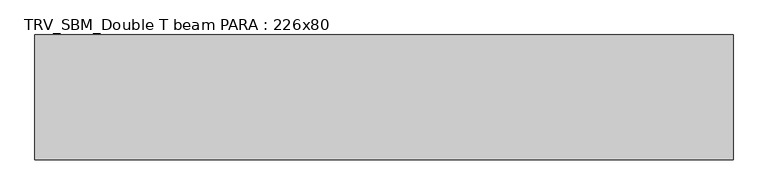
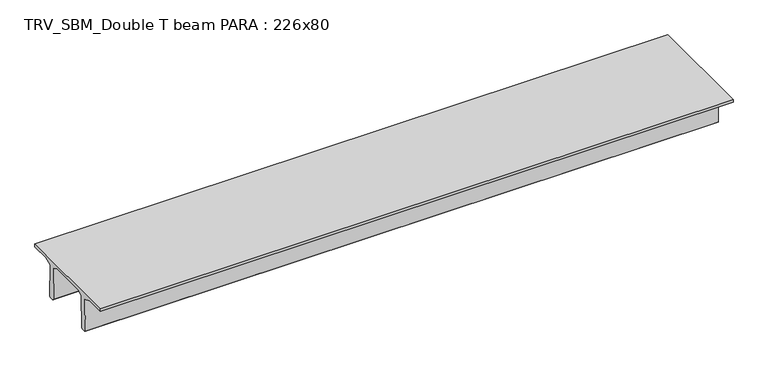
"""IFC4 building model written with IfcOpenShell, lengths in millimetres: beam geometry, TRV_SBM_Double T beam PARA : 226x80."""

from ifc_helpers import new_model, si_unit, frame, origin, place, context, project, spatial, polyline, outline, extrude, source, transform, mapped, element, save


def trv_sbm_double_t_beam_para_226x80_b1f8e772(model_context):
    return source(origin(), model_context, "Body", "SweptSolid", [
        extrude(outline(polyline([(352.1399239, 205.988519), (-382.1399239, 205.988519), (-485.0, 144.18395), (-501.9262559, -520.5206011), (-521.4056548, -540.0), (-611.4056548, -540.0), (-631.9887932, -520.5206011), (-615.2025683, 140.6523122), (-776.9153545, 205.988519), (-1145.0, 205.988519), (-1145.0, 260.0), (1115.0, 260.0), (1115.0, 205.988519), (746.9153545, 205.988519), (585.2025683, 140.6523122), (601.9887932, -520.5206011), (581.4056548, -540.0), (491.4056548, -540.0), (471.9262559, -520.5206011), (455.0, 144.18395), (352.1399239, 205.988519)])), frame((-6333.0, 0.0, 0.0), z_axis=(1.0, 0.0, 0.0), x_axis=(0.0, 1.0, 0.0)), (0.0, 0.0, 1.0), 12631.9062685),
    ])


if __name__ == "__main__":
    model = new_model("IFC4")
    model_context = context("Model", 3, world=origin())
    ifc_project = project(units=[si_unit("LENGTHUNIT", "METRE", prefix="MILLI")], contexts=[model_context])
    site = spatial("IfcSite", under=ifc_project)
    building = spatial("IfcBuilding", under=site)
    placement = place(None, origin())
    trv_sbm_double_t_beam_para_226x80_shape = trv_sbm_double_t_beam_para_226x80_b1f8e772(model_context)
    element("IfcBeam", 1, ObjectType="TRV_SBM_Double T beam PARA : 226x80", at=placement, inside=building, context=model_context, shape_type="MappedRepresentation", body=[
        mapped(trv_sbm_double_t_beam_para_226x80_shape, transform((0.0, 0.0, 0.0), x_axis=(1.0, 0.0, 0.0), y_axis=(0.0, 1.0, 0.0), z_axis=(0.0, 0.0, 1.0))),
    ])
    save(model, "model.ifc")
